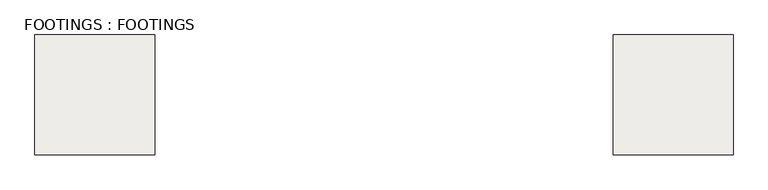
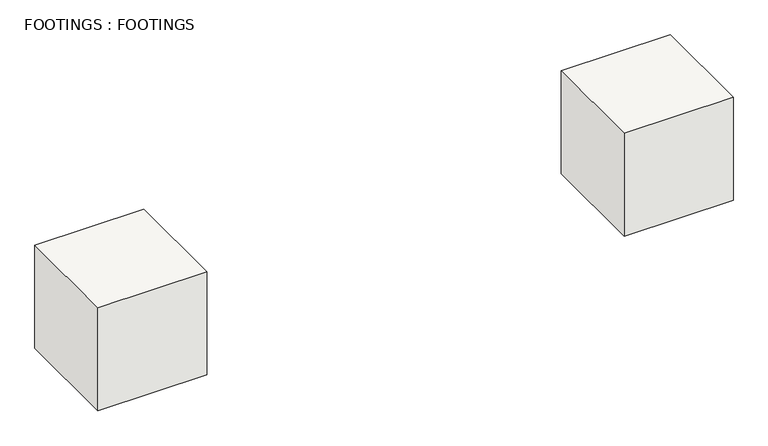
"""IFC4 building model written with IfcOpenShell, lengths in millimetres: slab geometry, FOOTINGS : FOOTINGS."""

from ifc_helpers import new_model, si_unit, frame, origin, place, context, project, spatial, polyline, outline, extrude, source, transform, mapped, element, save


def footings_footings_f53e8f28(model_context):
    return source(origin(), model_context, "Body", "SweptSolid", [
        extrude(outline(polyline([(1721.1801897, -959.4994731), (1721.1801897, -1559.4994731), (1121.1801897, -1559.4994731), (1121.1801897, -959.4994731), (1721.1801897, -959.4994731)])), frame((0.0, 0.0, -930.0), z_axis=(0.0, 0.0, 1.0), x_axis=(1.0, 0.0, 0.0)), (0.0, 0.0, 1.0), 600.0),
        extrude(outline(polyline([(4621.1801897, -959.4994731), (4621.1801897, -1559.4994731), (4021.1801897, -1559.4994731), (4021.1801897, -959.4994731), (4621.1801897, -959.4994731)])), frame((0.0, 0.0, -930.0), z_axis=(0.0, 0.0, 1.0), x_axis=(1.0, 0.0, 0.0)), (0.0, 0.0, 1.0), 600.0),
    ])


if __name__ == "__main__":
    model = new_model("IFC4")
    model_context = context("Model", 3, world=origin())
    ifc_project = project(units=[si_unit("LENGTHUNIT", "METRE", prefix="MILLI")], contexts=[model_context])
    site = spatial("IfcSite", under=ifc_project)
    building = spatial("IfcBuilding", under=site)
    placement = place(None, origin())
    footings_footings_shape = footings_footings_f53e8f28(model_context)
    element("IfcSlab", 1, ObjectType="FOOTINGS : FOOTINGS", at=placement, inside=building, context=model_context, shape_type="MappedRepresentation", body=[
        mapped(footings_footings_shape, transform((0.0, 0.0, 0.0), x_axis=(1.0, 0.0, 0.0), y_axis=(0.0, 1.0, 0.0), z_axis=(0.0, 0.0, 1.0))),
    ])
    save(model, "model.ifc")
